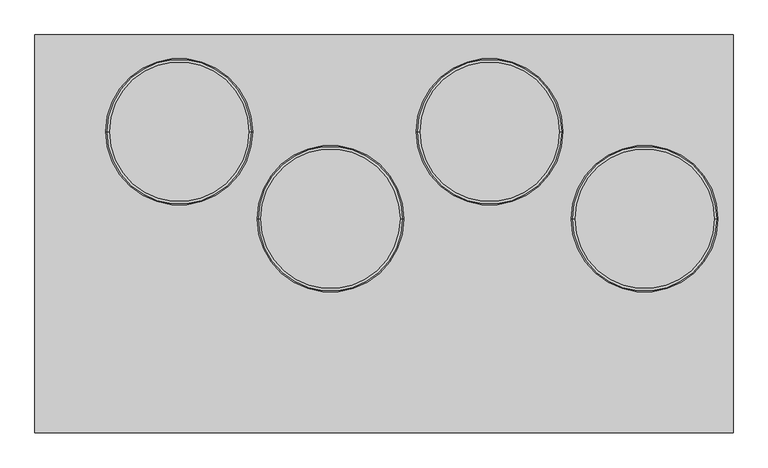
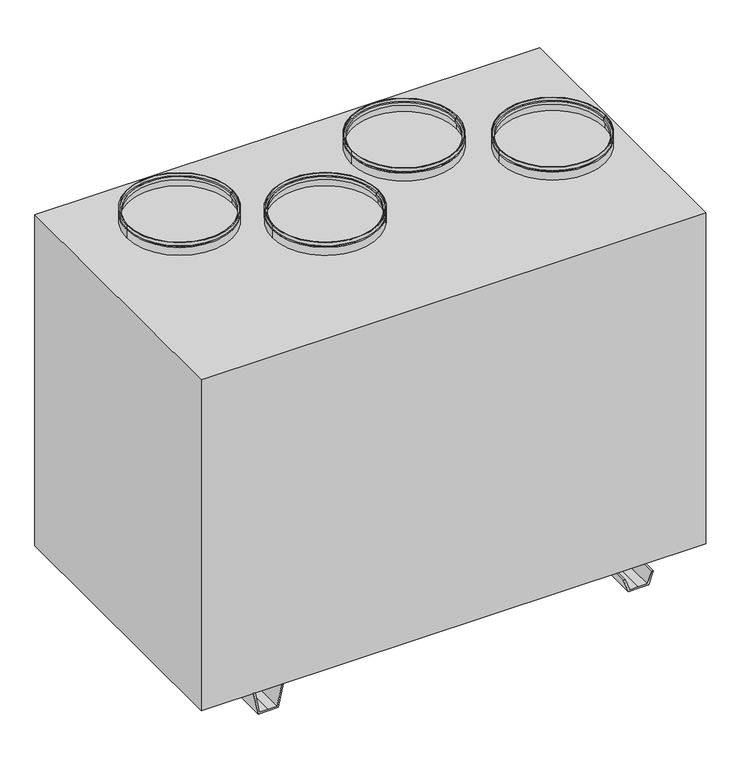
"""IFC4 building model written with IfcOpenShell, lengths in millimetres: proxy geometry."""

from ifc_helpers import new_model, si_unit, frame, origin, place, context, project, spatial, polyline, circle_curve, outline, extrude, source, transform, mapped, element, save
from ifc_brep_helpers import plane_surface, cylinder_surface, revolved_surface, advanced_brep


def mechanical_equipment_9c907c84(model_context):
    return source(origin(), model_context, "Body", "SolidModel", [
        advanced_brep(
        [(717.5, 32.5, 1140.0), (402.5, 32.5, 1140.0), (402.5, 32.5, 1150.0), (717.5, 32.5, 1150.0), (712.5, 32.5, 1140.0), (407.5, 32.5, 1140.0), (712.5, 32.5, 1135.0), (407.5, 32.5, 1135.0), (717.5, 32.5, 1135.0), (402.5, 32.5, 1135.0), (717.5, 32.5, 1110.0), (402.5, 32.5, 1110.0), (715.5, 32.5, 1110.0), (404.5, 32.5, 1110.0), (715.5, 32.5, 1133.0), (404.5, 32.5, 1133.0), (710.5, 32.5, 1133.0), (409.5, 32.5, 1133.0), (710.5, 32.5, 1142.0), (409.5, 32.5, 1142.0), (715.5, 32.5, 1142.0), (404.5, 32.5, 1142.0), (715.5, 32.5, 1150.0), (404.5, 32.5, 1150.0)],
        [
            (0, 1, circle_curve(frame((560.0, 32.5, 1140.0), z_axis=(0.0, 0.0, 1.0), x_axis=(-1.0, 0.0, 0.0)), 157.5)),
            (1, 2),
            (2, 3, circle_curve(frame((560.0, 32.5, 1150.0), z_axis=(0.0, 0.0, -1.0), x_axis=(-1.0, 0.0, 0.0)), 157.5)),
            (3, 0),
            (1, 0, circle_curve(frame((560.0, 32.5, 1140.0), z_axis=(0.0, 0.0, 1.0), x_axis=(-1.0, 0.0, 0.0)), 157.5)),
            (3, 2, circle_curve(frame((560.0, 32.5, 1150.0), z_axis=(0.0, 0.0, -1.0), x_axis=(-1.0, 0.0, 0.0)), 157.5)),
            (4, 5, circle_curve(frame((560.0, 32.5, 1140.0), z_axis=(0.0, 0.0, 1.0), x_axis=(-1.0, 0.0, 0.0)), 152.5)),
            (5, 1),
            (0, 4),
            (5, 4, circle_curve(frame((560.0, 32.5, 1140.0), z_axis=(0.0, 0.0, 1.0), x_axis=(-1.0, 0.0, 0.0)), 152.5)),
            (6, 7, circle_curve(frame((560.0, 32.5, 1135.0), z_axis=(0.0, 0.0, 1.0), x_axis=(-1.0, 0.0, 0.0)), 152.5)),
            (7, 5),
            (4, 6),
            (7, 6, circle_curve(frame((560.0, 32.5, 1135.0), z_axis=(0.0, 0.0, 1.0), x_axis=(-1.0, 0.0, 0.0)), 152.5)),
            (8, 9, circle_curve(frame((560.0, 32.5, 1135.0), z_axis=(0.0, 0.0, 1.0), x_axis=(-1.0, 0.0, 0.0)), 157.5)),
            (9, 7),
            (6, 8),
            (9, 8, circle_curve(frame((560.0, 32.5, 1135.0), z_axis=(0.0, 0.0, 1.0), x_axis=(-1.0, 0.0, 0.0)), 157.5)),
            (10, 11, circle_curve(frame((560.0, 32.5, 1110.0), z_axis=(0.0, 0.0, 1.0), x_axis=(-1.0, 0.0, 0.0)), 157.5)),
            (11, 9),
            (8, 10),
            (11, 10, circle_curve(frame((560.0, 32.5, 1110.0), z_axis=(0.0, 0.0, 1.0), x_axis=(-1.0, 0.0, 0.0)), 157.5)),
            (12, 13, circle_curve(frame((560.0, 32.5, 1110.0), z_axis=(0.0, 0.0, 1.0), x_axis=(-1.0, 0.0, 0.0)), 155.5)),
            (13, 11),
            (10, 12),
            (13, 12, circle_curve(frame((560.0, 32.5, 1110.0), z_axis=(0.0, 0.0, 1.0), x_axis=(-1.0, 0.0, 0.0)), 155.5)),
            (14, 15, circle_curve(frame((560.0, 32.5, 1133.0), z_axis=(0.0, 0.0, 1.0), x_axis=(-1.0, 0.0, 0.0)), 155.5)),
            (15, 13),
            (12, 14),
            (15, 14, circle_curve(frame((560.0, 32.5, 1133.0), z_axis=(0.0, 0.0, 1.0), x_axis=(-1.0, 0.0, 0.0)), 155.5)),
            (16, 17, circle_curve(frame((560.0, 32.5, 1133.0), z_axis=(0.0, 0.0, 1.0), x_axis=(-1.0, 0.0, 0.0)), 150.5)),
            (17, 15),
            (14, 16),
            (17, 16, circle_curve(frame((560.0, 32.5, 1133.0), z_axis=(0.0, 0.0, 1.0), x_axis=(-1.0, 0.0, 0.0)), 150.5)),
            (18, 19, circle_curve(frame((560.0, 32.5, 1142.0), z_axis=(0.0, 0.0, 1.0), x_axis=(-1.0, 0.0, 0.0)), 150.5)),
            (19, 17),
            (16, 18),
            (19, 18, circle_curve(frame((560.0, 32.5, 1142.0), z_axis=(0.0, 0.0, 1.0), x_axis=(-1.0, 0.0, 0.0)), 150.5)),
            (20, 21, circle_curve(frame((560.0, 32.5, 1142.0), z_axis=(0.0, 0.0, 1.0), x_axis=(-1.0, 0.0, 0.0)), 155.5)),
            (21, 19),
            (18, 20),
            (21, 20, circle_curve(frame((560.0, 32.5, 1142.0), z_axis=(0.0, 0.0, 1.0), x_axis=(-1.0, 0.0, 0.0)), 155.5)),
            (22, 23, circle_curve(frame((560.0, 32.5, 1150.0), z_axis=(0.0, 0.0, 1.0), x_axis=(-1.0, 0.0, 0.0)), 155.5)),
            (23, 21),
            (20, 22),
            (23, 22, circle_curve(frame((560.0, 32.5, 1150.0), z_axis=(0.0, 0.0, 1.0), x_axis=(-1.0, 0.0, 0.0)), 155.5)),
            (2, 23),
            (22, 3),
        ],
        [
            cylinder_surface(frame((560.0, 32.5, 2685.0440172), z_axis=(0.0, 0.0, -1.0), x_axis=(-1.0, 0.0, 0.0)), 157.5),
            plane_surface(frame((560.0, 32.5, 1140.0), z_axis=(0.0, 0.0, -1.0), x_axis=(-1.0, 0.0, 0.0))),
            cylinder_surface(frame((560.0, 32.5, 2685.0440172), z_axis=(0.0, 0.0, -1.0), x_axis=(-1.0, 0.0, 0.0)), 152.5),
            plane_surface(frame((560.0, 32.5, 1135.0), z_axis=(0.0, 0.0, 1.0), x_axis=(-1.0, 0.0, 0.0))),
            plane_surface(frame((560.0, 32.5, 1110.0), z_axis=(0.0, 0.0, -1.0), x_axis=(-1.0, 0.0, 0.0))),
            revolved_surface(polyline([(404.5, 32.5, 1110.0), (404.5, 32.5, 1133.0)]), (560.0, 32.5, 2685.0440172), (0.0, 0.0, -1.0)),
            plane_surface(frame((560.0, 32.5, 1133.0), z_axis=(0.0, 0.0, -1.0), x_axis=(-1.0, 0.0, 0.0))),
            revolved_surface(polyline([(409.5, 32.5, 1133.0), (409.5, 32.5, 1142.0)]), (560.0, 32.5, 2685.0440172), (0.0, 0.0, -1.0)),
            plane_surface(frame((560.0, 32.5, 1142.0), z_axis=(0.0, 0.0, 1.0), x_axis=(-1.0, 0.0, 0.0))),
            revolved_surface(polyline([(404.5, 32.5, 1142.0), (404.5, 32.5, 1150.0)]), (560.0, 32.5, 2685.0440172), (0.0, 0.0, -1.0)),
            plane_surface(frame((560.0, 32.5, 1150.0), z_axis=(0.0, 0.0, 1.0), x_axis=(-1.0, 0.0, 0.0))),
        ],
        [
            (0, [[1, 2, 3, 4]]),
            (0, [[5, -4, 6, -2]]),
            (1, [[7, 8, -1, 9]]),
            (1, [[10, -9, -5, -8]]),
            (2, [[11, 12, -7, 13]]),
            (2, [[14, -13, -10, -12]]),
            (3, [[15, 16, -11, 17]]),
            (3, [[18, -17, -14, -16]]),
            (0, [[19, 20, -15, 21]]),
            (0, [[22, -21, -18, -20]]),
            (4, [[23, 24, -19, 25]]),
            (4, [[26, -25, -22, -24]]),
            (5, [[27, 28, -23, 29]]),
            (5, [[30, -29, -26, -28]]),
            (6, [[31, 32, -27, 33]]),
            (6, [[34, -33, -30, -32]]),
            (7, [[35, 36, -31, 37]]),
            (7, [[38, -37, -34, -36]]),
            (8, [[39, 40, -35, 41]]),
            (8, [[42, -41, -38, -40]]),
            (9, [[43, 44, -39, 45]]),
            (9, [[46, -45, -42, -44]]),
            (10, [[-3, 47, -43, 48]]),
            (10, [[-6, -48, -46, -47]]),
        ],
    ),
        advanced_brep(
        [(384.5, 219.5, 1140.0), (69.5, 219.5, 1140.0), (69.5, 219.5, 1150.0), (384.5, 219.5, 1150.0), (379.5, 219.5, 1140.0), (74.5, 219.5, 1140.0), (379.5, 219.5, 1135.0), (74.5, 219.5, 1135.0), (384.5, 219.5, 1135.0), (69.5, 219.5, 1135.0), (384.5, 219.5, 1110.0), (69.5, 219.5, 1110.0), (382.5, 219.5, 1110.0), (71.5, 219.5, 1110.0), (382.5, 219.5, 1133.0), (71.5, 219.5, 1133.0), (377.5, 219.5, 1133.0), (76.5, 219.5, 1133.0), (377.5, 219.5, 1142.0), (76.5, 219.5, 1142.0), (382.5, 219.5, 1142.0), (71.5, 219.5, 1142.0), (382.5, 219.5, 1150.0), (71.5, 219.5, 1150.0)],
        [
            (0, 1, circle_curve(frame((227.0, 219.5, 1140.0), z_axis=(0.0, 0.0, 1.0), x_axis=(-1.0, 0.0, 0.0)), 157.5)),
            (1, 2),
            (2, 3, circle_curve(frame((227.0, 219.5, 1150.0), z_axis=(0.0, 0.0, -1.0), x_axis=(-1.0, 0.0, 0.0)), 157.5)),
            (3, 0),
            (1, 0, circle_curve(frame((227.0, 219.5, 1140.0), z_axis=(0.0, 0.0, 1.0), x_axis=(-1.0, 0.0, 0.0)), 157.5)),
            (3, 2, circle_curve(frame((227.0, 219.5, 1150.0), z_axis=(0.0, 0.0, -1.0), x_axis=(-1.0, 0.0, 0.0)), 157.5)),
            (4, 5, circle_curve(frame((227.0, 219.5, 1140.0), z_axis=(0.0, 0.0, 1.0), x_axis=(-1.0, 0.0, 0.0)), 152.5)),
            (5, 1),
            (0, 4),
            (5, 4, circle_curve(frame((227.0, 219.5, 1140.0), z_axis=(0.0, 0.0, 1.0), x_axis=(-1.0, 0.0, 0.0)), 152.5)),
            (6, 7, circle_curve(frame((227.0, 219.5, 1135.0), z_axis=(0.0, 0.0, 1.0), x_axis=(-1.0, 0.0, 0.0)), 152.5)),
            (7, 5),
            (4, 6),
            (7, 6, circle_curve(frame((227.0, 219.5, 1135.0), z_axis=(0.0, 0.0, 1.0), x_axis=(-1.0, 0.0, 0.0)), 152.5)),
            (8, 9, circle_curve(frame((227.0, 219.5, 1135.0), z_axis=(0.0, 0.0, 1.0), x_axis=(-1.0, 0.0, 0.0)), 157.5)),
            (9, 7),
            (6, 8),
            (9, 8, circle_curve(frame((227.0, 219.5, 1135.0), z_axis=(0.0, 0.0, 1.0), x_axis=(-1.0, 0.0, 0.0)), 157.5)),
            (10, 11, circle_curve(frame((227.0, 219.5, 1110.0), z_axis=(0.0, 0.0, 1.0), x_axis=(-1.0, 0.0, 0.0)), 157.5)),
            (11, 9),
            (8, 10),
            (11, 10, circle_curve(frame((227.0, 219.5, 1110.0), z_axis=(0.0, 0.0, 1.0), x_axis=(-1.0, 0.0, 0.0)), 157.5)),
            (12, 13, circle_curve(frame((227.0, 219.5, 1110.0), z_axis=(0.0, 0.0, 1.0), x_axis=(-1.0, 0.0, 0.0)), 155.5)),
            (13, 11),
            (10, 12),
            (13, 12, circle_curve(frame((227.0, 219.5, 1110.0), z_axis=(0.0, 0.0, 1.0), x_axis=(-1.0, 0.0, 0.0)), 155.5)),
            (14, 15, circle_curve(frame((227.0, 219.5, 1133.0), z_axis=(0.0, 0.0, 1.0), x_axis=(-1.0, 0.0, 0.0)), 155.5)),
            (15, 13),
            (12, 14),
            (15, 14, circle_curve(frame((227.0, 219.5, 1133.0), z_axis=(0.0, 0.0, 1.0), x_axis=(-1.0, 0.0, 0.0)), 155.5)),
            (16, 17, circle_curve(frame((227.0, 219.5, 1133.0), z_axis=(0.0, 0.0, 1.0), x_axis=(-1.0, 0.0, 0.0)), 150.5)),
            (17, 15),
            (14, 16),
            (17, 16, circle_curve(frame((227.0, 219.5, 1133.0), z_axis=(0.0, 0.0, 1.0), x_axis=(-1.0, 0.0, 0.0)), 150.5)),
            (18, 19, circle_curve(frame((227.0, 219.5, 1142.0), z_axis=(0.0, 0.0, 1.0), x_axis=(-1.0, 0.0, 0.0)), 150.5)),
            (19, 17),
            (16, 18),
            (19, 18, circle_curve(frame((227.0, 219.5, 1142.0), z_axis=(0.0, 0.0, 1.0), x_axis=(-1.0, 0.0, 0.0)), 150.5)),
            (20, 21, circle_curve(frame((227.0, 219.5, 1142.0), z_axis=(0.0, 0.0, 1.0), x_axis=(-1.0, 0.0, 0.0)), 155.5)),
            (21, 19),
            (18, 20),
            (21, 20, circle_curve(frame((227.0, 219.5, 1142.0), z_axis=(0.0, 0.0, 1.0), x_axis=(-1.0, 0.0, 0.0)), 155.5)),
            (22, 23, circle_curve(frame((227.0, 219.5, 1150.0), z_axis=(0.0, 0.0, 1.0), x_axis=(-1.0, 0.0, 0.0)), 155.5)),
            (23, 21),
            (20, 22),
            (23, 22, circle_curve(frame((227.0, 219.5, 1150.0), z_axis=(0.0, 0.0, 1.0), x_axis=(-1.0, 0.0, 0.0)), 155.5)),
            (2, 23),
            (22, 3),
        ],
        [
            cylinder_surface(frame((227.0, 219.5, 2685.0440172), z_axis=(0.0, 0.0, -1.0), x_axis=(-1.0, 0.0, 0.0)), 157.5),
            plane_surface(frame((227.0, 219.5, 1140.0), z_axis=(0.0, 0.0, -1.0), x_axis=(-1.0, 0.0, 0.0))),
            cylinder_surface(frame((227.0, 219.5, 2685.0440172), z_axis=(0.0, 0.0, -1.0), x_axis=(-1.0, 0.0, 0.0)), 152.5),
            plane_surface(frame((227.0, 219.5, 1135.0), z_axis=(0.0, 0.0, 1.0), x_axis=(-1.0, 0.0, 0.0))),
            plane_surface(frame((227.0, 219.5, 1110.0), z_axis=(0.0, 0.0, -1.0), x_axis=(-1.0, 0.0, 0.0))),
            revolved_surface(polyline([(71.5, 219.5, 1110.0), (71.5, 219.5, 1133.0)]), (227.0, 219.5, 2685.0440172), (0.0, 0.0, -1.0)),
            plane_surface(frame((227.0, 219.5, 1133.0), z_axis=(0.0, 0.0, -1.0), x_axis=(-1.0, 0.0, 0.0))),
            revolved_surface(polyline([(76.5, 219.5, 1133.0), (76.5, 219.5, 1142.0)]), (227.0, 219.5, 2685.0440172), (0.0, 0.0, -1.0)),
            plane_surface(frame((227.0, 219.5, 1142.0), z_axis=(0.0, 0.0, 1.0), x_axis=(-1.0, 0.0, 0.0))),
            revolved_surface(polyline([(71.5, 219.5, 1142.0), (71.5, 219.5, 1150.0)]), (227.0, 219.5, 2685.0440172), (0.0, 0.0, -1.0)),
            plane_surface(frame((227.0, 219.5, 1150.0), z_axis=(0.0, 0.0, 1.0), x_axis=(-1.0, 0.0, 0.0))),
        ],
        [
            (0, [[1, 2, 3, 4]]),
            (0, [[5, -4, 6, -2]]),
            (1, [[7, 8, -1, 9]]),
            (1, [[10, -9, -5, -8]]),
            (2, [[11, 12, -7, 13]]),
            (2, [[14, -13, -10, -12]]),
            (3, [[15, 16, -11, 17]]),
            (3, [[18, -17, -14, -16]]),
            (0, [[19, 20, -15, 21]]),
            (0, [[22, -21, -18, -20]]),
            (4, [[23, 24, -19, 25]]),
            (4, [[26, -25, -22, -24]]),
            (5, [[27, 28, -23, 29]]),
            (5, [[30, -29, -26, -28]]),
            (6, [[31, 32, -27, 33]]),
            (6, [[34, -33, -30, -32]]),
            (7, [[35, 36, -31, 37]]),
            (7, [[38, -37, -34, -36]]),
            (8, [[39, 40, -35, 41]]),
            (8, [[42, -41, -38, -40]]),
            (9, [[43, 44, -39, 45]]),
            (9, [[46, -45, -42, -44]]),
            (10, [[-3, 47, -43, 48]]),
            (10, [[-6, -48, -46, -47]]),
        ],
    ),
        advanced_brep(
        [(42.5, 32.5, 1140.0), (-272.5, 32.5, 1140.0), (-272.5, 32.5, 1150.0), (42.5, 32.5, 1150.0), (37.5, 32.5, 1140.0), (-267.5, 32.5, 1140.0), (37.5, 32.5, 1135.0), (-267.5, 32.5, 1135.0), (42.5, 32.5, 1135.0), (-272.5, 32.5, 1135.0), (42.5, 32.5, 1110.0), (-272.5, 32.5, 1110.0), (40.5, 32.5, 1110.0), (-270.5, 32.5, 1110.0), (40.5, 32.5, 1133.0), (-270.5, 32.5, 1133.0), (35.5, 32.5, 1133.0), (-265.5, 32.5, 1133.0), (35.5, 32.5, 1142.0), (-265.5, 32.5, 1142.0), (40.5, 32.5, 1142.0), (-270.5, 32.5, 1142.0), (40.5, 32.5, 1150.0), (-270.5, 32.5, 1150.0)],
        [
            (0, 1, circle_curve(frame((-115.0, 32.5, 1140.0), z_axis=(0.0, 0.0, 1.0), x_axis=(-1.0, 0.0, 0.0)), 157.5)),
            (1, 2),
            (2, 3, circle_curve(frame((-115.0, 32.5, 1150.0), z_axis=(0.0, 0.0, -1.0), x_axis=(-1.0, 0.0, 0.0)), 157.5)),
            (3, 0),
            (1, 0, circle_curve(frame((-115.0, 32.5, 1140.0), z_axis=(0.0, 0.0, 1.0), x_axis=(-1.0, 0.0, 0.0)), 157.5)),
            (3, 2, circle_curve(frame((-115.0, 32.5, 1150.0), z_axis=(0.0, 0.0, -1.0), x_axis=(-1.0, 0.0, 0.0)), 157.5)),
            (4, 5, circle_curve(frame((-115.0, 32.5, 1140.0), z_axis=(0.0, 0.0, 1.0), x_axis=(-1.0, 0.0, 0.0)), 152.5)),
            (5, 1),
            (0, 4),
            (5, 4, circle_curve(frame((-115.0, 32.5, 1140.0), z_axis=(0.0, 0.0, 1.0), x_axis=(-1.0, 0.0, 0.0)), 152.5)),
            (6, 7, circle_curve(frame((-115.0, 32.5, 1135.0), z_axis=(0.0, 0.0, 1.0), x_axis=(-1.0, 0.0, 0.0)), 152.5)),
            (7, 5),
            (4, 6),
            (7, 6, circle_curve(frame((-115.0, 32.5, 1135.0), z_axis=(0.0, 0.0, 1.0), x_axis=(-1.0, 0.0, 0.0)), 152.5)),
            (8, 9, circle_curve(frame((-115.0, 32.5, 1135.0), z_axis=(0.0, 0.0, 1.0), x_axis=(-1.0, 0.0, 0.0)), 157.5)),
            (9, 7),
            (6, 8),
            (9, 8, circle_curve(frame((-115.0, 32.5, 1135.0), z_axis=(0.0, 0.0, 1.0), x_axis=(-1.0, 0.0, 0.0)), 157.5)),
            (10, 11, circle_curve(frame((-115.0, 32.5, 1110.0), z_axis=(0.0, 0.0, 1.0), x_axis=(-1.0, 0.0, 0.0)), 157.5)),
            (11, 9),
            (8, 10),
            (11, 10, circle_curve(frame((-115.0, 32.5, 1110.0), z_axis=(0.0, 0.0, 1.0), x_axis=(-1.0, 0.0, 0.0)), 157.5)),
            (12, 13, circle_curve(frame((-115.0, 32.5, 1110.0), z_axis=(0.0, 0.0, 1.0), x_axis=(-1.0, 0.0, 0.0)), 155.5)),
            (13, 11),
            (10, 12),
            (13, 12, circle_curve(frame((-115.0, 32.5, 1110.0), z_axis=(0.0, 0.0, 1.0), x_axis=(-1.0, 0.0, 0.0)), 155.5)),
            (14, 15, circle_curve(frame((-115.0, 32.5, 1133.0), z_axis=(0.0, 0.0, 1.0), x_axis=(-1.0, 0.0, 0.0)), 155.5)),
            (15, 13),
            (12, 14),
            (15, 14, circle_curve(frame((-115.0, 32.5, 1133.0), z_axis=(0.0, 0.0, 1.0), x_axis=(-1.0, 0.0, 0.0)), 155.5)),
            (16, 17, circle_curve(frame((-115.0, 32.5, 1133.0), z_axis=(0.0, 0.0, 1.0), x_axis=(-1.0, 0.0, 0.0)), 150.5)),
            (17, 15),
            (14, 16),
            (17, 16, circle_curve(frame((-115.0, 32.5, 1133.0), z_axis=(0.0, 0.0, 1.0), x_axis=(-1.0, 0.0, 0.0)), 150.5)),
            (18, 19, circle_curve(frame((-115.0, 32.5, 1142.0), z_axis=(0.0, 0.0, 1.0), x_axis=(-1.0, 0.0, 0.0)), 150.5)),
            (19, 17),
            (16, 18),
            (19, 18, circle_curve(frame((-115.0, 32.5, 1142.0), z_axis=(0.0, 0.0, 1.0), x_axis=(-1.0, 0.0, 0.0)), 150.5)),
            (20, 21, circle_curve(frame((-115.0, 32.5, 1142.0), z_axis=(0.0, 0.0, 1.0), x_axis=(-1.0, 0.0, 0.0)), 155.5)),
            (21, 19),
            (18, 20),
            (21, 20, circle_curve(frame((-115.0, 32.5, 1142.0), z_axis=(0.0, 0.0, 1.0), x_axis=(-1.0, 0.0, 0.0)), 155.5)),
            (22, 23, circle_curve(frame((-115.0, 32.5, 1150.0), z_axis=(0.0, 0.0, 1.0), x_axis=(-1.0, 0.0, 0.0)), 155.5)),
            (23, 21),
            (20, 22),
            (23, 22, circle_curve(frame((-115.0, 32.5, 1150.0), z_axis=(0.0, 0.0, 1.0), x_axis=(-1.0, 0.0, 0.0)), 155.5)),
            (2, 23),
            (22, 3),
        ],
        [
            cylinder_surface(frame((-115.0, 32.5, 2685.0440172), z_axis=(0.0, 0.0, -1.0), x_axis=(-1.0, 0.0, 0.0)), 157.5),
            plane_surface(frame((-115.0, 32.5, 1140.0), z_axis=(0.0, 0.0, -1.0), x_axis=(-1.0, 0.0, 0.0))),
            cylinder_surface(frame((-115.0, 32.5, 2685.0440172), z_axis=(0.0, 0.0, -1.0), x_axis=(-1.0, 0.0, 0.0)), 152.5),
            plane_surface(frame((-115.0, 32.5, 1135.0), z_axis=(0.0, 0.0, 1.0), x_axis=(-1.0, 0.0, 0.0))),
            plane_surface(frame((-115.0, 32.5, 1110.0), z_axis=(0.0, 0.0, -1.0), x_axis=(-1.0, 0.0, 0.0))),
            revolved_surface(polyline([(-270.5, 32.5, 1110.0), (-270.5, 32.5, 1133.0)]), (-115.0, 32.5, 2685.0440172), (0.0, 0.0, -1.0)),
            plane_surface(frame((-115.0, 32.5, 1133.0), z_axis=(0.0, 0.0, -1.0), x_axis=(-1.0, 0.0, 0.0))),
            revolved_surface(polyline([(-265.5, 32.5, 1133.0), (-265.5, 32.5, 1142.0)]), (-115.0, 32.5, 2685.0440172), (0.0, 0.0, -1.0)),
            plane_surface(frame((-115.0, 32.5, 1142.0), z_axis=(0.0, 0.0, 1.0), x_axis=(-1.0, 0.0, 0.0))),
            revolved_surface(polyline([(-270.5, 32.5, 1142.0), (-270.5, 32.5, 1150.0)]), (-115.0, 32.5, 2685.0440172), (0.0, 0.0, -1.0)),
            plane_surface(frame((-115.0, 32.5, 1150.0), z_axis=(0.0, 0.0, 1.0), x_axis=(-1.0, 0.0, 0.0))),
        ],
        [
            (0, [[1, 2, 3, 4]]),
            (0, [[5, -4, 6, -2]]),
            (1, [[7, 8, -1, 9]]),
            (1, [[10, -9, -5, -8]]),
            (2, [[11, 12, -7, 13]]),
            (2, [[14, -13, -10, -12]]),
            (3, [[15, 16, -11, 17]]),
            (3, [[18, -17, -14, -16]]),
            (0, [[19, 20, -15, 21]]),
            (0, [[22, -21, -18, -20]]),
            (4, [[23, 24, -19, 25]]),
            (4, [[26, -25, -22, -24]]),
            (5, [[27, 28, -23, 29]]),
            (5, [[30, -29, -26, -28]]),
            (6, [[31, 32, -27, 33]]),
            (6, [[34, -33, -30, -32]]),
            (7, [[35, 36, -31, 37]]),
            (7, [[38, -37, -34, -36]]),
            (8, [[39, 40, -35, 41]]),
            (8, [[42, -41, -38, -40]]),
            (9, [[43, 44, -39, 45]]),
            (9, [[46, -45, -42, -44]]),
            (10, [[-3, 47, -43, 48]]),
            (10, [[-6, -48, -46, -47]]),
        ],
    ),
        advanced_brep(
        [(-282.5, 219.5, 1140.0), (-597.5, 219.5, 1140.0), (-597.5, 219.5, 1150.0), (-282.5, 219.5, 1150.0), (-287.5, 219.5, 1140.0), (-592.5, 219.5, 1140.0), (-287.5, 219.5, 1135.0), (-592.5, 219.5, 1135.0), (-282.5, 219.5, 1135.0), (-597.5, 219.5, 1135.0), (-282.5, 219.5, 1110.0), (-597.5, 219.5, 1110.0), (-284.5, 219.5, 1110.0), (-595.5, 219.5, 1110.0), (-284.5, 219.5, 1133.0), (-595.5, 219.5, 1133.0), (-289.5, 219.5, 1133.0), (-590.5, 219.5, 1133.0), (-289.5, 219.5, 1142.0), (-590.5, 219.5, 1142.0), (-284.5, 219.5, 1142.0), (-595.5, 219.5, 1142.0), (-284.5, 219.5, 1150.0), (-595.5, 219.5, 1150.0)],
        [
            (0, 1, circle_curve(frame((-440.0, 219.5, 1140.0), z_axis=(0.0, 0.0, 1.0), x_axis=(-1.0, 0.0, 0.0)), 157.5)),
            (1, 2),
            (2, 3, circle_curve(frame((-440.0, 219.5, 1150.0), z_axis=(0.0, 0.0, -1.0), x_axis=(-1.0, 0.0, 0.0)), 157.5)),
            (3, 0),
            (1, 0, circle_curve(frame((-440.0, 219.5, 1140.0), z_axis=(0.0, 0.0, 1.0), x_axis=(-1.0, 0.0, 0.0)), 157.5)),
            (3, 2, circle_curve(frame((-440.0, 219.5, 1150.0), z_axis=(0.0, 0.0, -1.0), x_axis=(-1.0, 0.0, 0.0)), 157.5)),
            (4, 5, circle_curve(frame((-440.0, 219.5, 1140.0), z_axis=(0.0, 0.0, 1.0), x_axis=(-1.0, 0.0, 0.0)), 152.5)),
            (5, 1),
            (0, 4),
            (5, 4, circle_curve(frame((-440.0, 219.5, 1140.0), z_axis=(0.0, 0.0, 1.0), x_axis=(-1.0, 0.0, 0.0)), 152.5)),
            (6, 7, circle_curve(frame((-440.0, 219.5, 1135.0), z_axis=(0.0, 0.0, 1.0), x_axis=(-1.0, 0.0, 0.0)), 152.5)),
            (7, 5),
            (4, 6),
            (7, 6, circle_curve(frame((-440.0, 219.5, 1135.0), z_axis=(0.0, 0.0, 1.0), x_axis=(-1.0, 0.0, 0.0)), 152.5)),
            (8, 9, circle_curve(frame((-440.0, 219.5, 1135.0), z_axis=(0.0, 0.0, 1.0), x_axis=(-1.0, 0.0, 0.0)), 157.5)),
            (9, 7),
            (6, 8),
            (9, 8, circle_curve(frame((-440.0, 219.5, 1135.0), z_axis=(0.0, 0.0, 1.0), x_axis=(-1.0, 0.0, 0.0)), 157.5)),
            (10, 11, circle_curve(frame((-440.0, 219.5, 1110.0), z_axis=(0.0, 0.0, 1.0), x_axis=(-1.0, 0.0, 0.0)), 157.5)),
            (11, 9),
            (8, 10),
            (11, 10, circle_curve(frame((-440.0, 219.5, 1110.0), z_axis=(0.0, 0.0, 1.0), x_axis=(-1.0, 0.0, 0.0)), 157.5)),
            (12, 13, circle_curve(frame((-440.0, 219.5, 1110.0), z_axis=(0.0, 0.0, 1.0), x_axis=(-1.0, 0.0, 0.0)), 155.5)),
            (13, 11),
            (10, 12),
            (13, 12, circle_curve(frame((-440.0, 219.5, 1110.0), z_axis=(0.0, 0.0, 1.0), x_axis=(-1.0, 0.0, 0.0)), 155.5)),
            (14, 15, circle_curve(frame((-440.0, 219.5, 1133.0), z_axis=(0.0, 0.0, 1.0), x_axis=(-1.0, 0.0, 0.0)), 155.5)),
            (15, 13),
            (12, 14),
            (15, 14, circle_curve(frame((-440.0, 219.5, 1133.0), z_axis=(0.0, 0.0, 1.0), x_axis=(-1.0, 0.0, 0.0)), 155.5)),
            (16, 17, circle_curve(frame((-440.0, 219.5, 1133.0), z_axis=(0.0, 0.0, 1.0), x_axis=(-1.0, 0.0, 0.0)), 150.5)),
            (17, 15),
            (14, 16),
            (17, 16, circle_curve(frame((-440.0, 219.5, 1133.0), z_axis=(0.0, 0.0, 1.0), x_axis=(-1.0, 0.0, 0.0)), 150.5)),
            (18, 19, circle_curve(frame((-440.0, 219.5, 1142.0), z_axis=(0.0, 0.0, 1.0), x_axis=(-1.0, 0.0, 0.0)), 150.5)),
            (19, 17),
            (16, 18),
            (19, 18, circle_curve(frame((-440.0, 219.5, 1142.0), z_axis=(0.0, 0.0, 1.0), x_axis=(-1.0, 0.0, 0.0)), 150.5)),
            (20, 21, circle_curve(frame((-440.0, 219.5, 1142.0), z_axis=(0.0, 0.0, 1.0), x_axis=(-1.0, 0.0, 0.0)), 155.5)),
            (21, 19),
            (18, 20),
            (21, 20, circle_curve(frame((-440.0, 219.5, 1142.0), z_axis=(0.0, 0.0, 1.0), x_axis=(-1.0, 0.0, 0.0)), 155.5)),
            (22, 23, circle_curve(frame((-440.0, 219.5, 1150.0), z_axis=(0.0, 0.0, 1.0), x_axis=(-1.0, 0.0, 0.0)), 155.5)),
            (23, 21),
            (20, 22),
            (23, 22, circle_curve(frame((-440.0, 219.5, 1150.0), z_axis=(0.0, 0.0, 1.0), x_axis=(-1.0, 0.0, 0.0)), 155.5)),
            (2, 23),
            (22, 3),
        ],
        [
            cylinder_surface(frame((-440.0, 219.5, 2685.0440172), z_axis=(0.0, 0.0, -1.0), x_axis=(-1.0, 0.0, 0.0)), 157.5),
            plane_surface(frame((-440.0, 219.5, 1140.0), z_axis=(0.0, 0.0, -1.0), x_axis=(-1.0, 0.0, 0.0))),
            cylinder_surface(frame((-440.0, 219.5, 2685.0440172), z_axis=(0.0, 0.0, -1.0), x_axis=(-1.0, 0.0, 0.0)), 152.5),
            plane_surface(frame((-440.0, 219.5, 1135.0), z_axis=(0.0, 0.0, 1.0), x_axis=(-1.0, 0.0, 0.0))),
            plane_surface(frame((-440.0, 219.5, 1110.0), z_axis=(0.0, 0.0, -1.0), x_axis=(-1.0, 0.0, 0.0))),
            revolved_surface(polyline([(-595.5, 219.5, 1110.0), (-595.5, 219.5, 1133.0)]), (-440.0, 219.5, 2685.0440172), (0.0, 0.0, -1.0)),
            plane_surface(frame((-440.0, 219.5, 1133.0), z_axis=(0.0, 0.0, -1.0), x_axis=(-1.0, 0.0, 0.0))),
            revolved_surface(polyline([(-590.5, 219.5, 1133.0), (-590.5, 219.5, 1142.0)]), (-440.0, 219.5, 2685.0440172), (0.0, 0.0, -1.0)),
            plane_surface(frame((-440.0, 219.5, 1142.0), z_axis=(0.0, 0.0, 1.0), x_axis=(-1.0, 0.0, 0.0))),
            revolved_surface(polyline([(-595.5, 219.5, 1142.0), (-595.5, 219.5, 1150.0)]), (-440.0, 219.5, 2685.0440172), (0.0, 0.0, -1.0)),
            plane_surface(frame((-440.0, 219.5, 1150.0), z_axis=(0.0, 0.0, 1.0), x_axis=(-1.0, 0.0, 0.0))),
        ],
        [
            (0, [[1, 2, 3, 4]]),
            (0, [[5, -4, 6, -2]]),
            (1, [[7, 8, -1, 9]]),
            (1, [[10, -9, -5, -8]]),
            (2, [[11, 12, -7, 13]]),
            (2, [[14, -13, -10, -12]]),
            (3, [[15, 16, -11, 17]]),
            (3, [[18, -17, -14, -16]]),
            (0, [[19, 20, -15, 21]]),
            (0, [[22, -21, -18, -20]]),
            (4, [[23, 24, -19, 25]]),
            (4, [[26, -25, -22, -24]]),
            (5, [[27, 28, -23, 29]]),
            (5, [[30, -29, -26, -28]]),
            (6, [[31, 32, -27, 33]]),
            (6, [[34, -33, -30, -32]]),
            (7, [[35, 36, -31, 37]]),
            (7, [[38, -37, -34, -36]]),
            (8, [[39, 40, -35, 41]]),
            (8, [[42, -41, -38, -40]]),
            (9, [[43, 44, -39, 45]]),
            (9, [[46, -45, -42, -44]]),
            (10, [[-3, 47, -43, 48]]),
            (10, [[-6, -48, -46, -47]]),
        ],
    ),
        extrude(outline(polyline([(0.0, 580.0), (40.0, 594.5588094), (40.0, 589.2379205), (5.0, 576.4989623), (5.0, 550.0), (5.0, 523.5010377), (40.0, 510.7620795), (40.0, 505.4411906), (0.0, 520.0), (0.0, 550.0), (0.0, 580.0)])), frame((0.0, -427.5, 0.0), z_axis=(0.0, 1.0, 0.0), x_axis=(0.0, 0.0, 1.0)), (0.0, 0.0, 1.0), 855.0),
        extrude(outline(polyline([(0.0, -520.0), (70.0, -505.4411906), (70.0, -510.7620795), (5.0, -523.5010377), (5.0, -550.0), (5.0, -576.4989623), (70.0, -589.2379205), (70.0, -594.5588094), (0.0, -580.0), (0.0, -550.0), (0.0, -520.0)])), frame((0.0, -427.5, 0.0), z_axis=(0.0, 1.0, 0.0), x_axis=(0.0, 0.0, 1.0)), (0.0, 0.0, 1.0), 855.0),
        extrude(outline(polyline([(-750.0, 427.5), (750.0, 427.5), (750.0, -427.5), (-750.0, -427.5), (-750.0, 427.5)])), frame((0.0, 0.0, 70.0), z_axis=(0.0, 0.0, 1.0), x_axis=(1.0, 0.0, 0.0)), (0.0, 0.0, 1.0), 1040.0),
    ])


if __name__ == "__main__":
    model = new_model("IFC4")
    model_context = context("Model", 3, world=origin())
    ifc_project = project(units=[si_unit("LENGTHUNIT", "METRE", prefix="MILLI")], contexts=[model_context])
    site = spatial("IfcSite", under=ifc_project)
    building = spatial("IfcBuilding", under=site)
    placement = place(None, origin())
    mechanical_equipment_shape = mechanical_equipment_9c907c84(model_context)
    element("IfcBuildingElementProxy", 1, Name="Mechanical Equipment", at=placement, inside=building, context=model_context, shape_type="MappedRepresentation", body=[
        mapped(mechanical_equipment_shape, transform((0.0, 0.0, 0.0), x_axis=(1.0, 0.0, 0.0), y_axis=(0.0, 1.0, 0.0), z_axis=(0.0, 0.0, 1.0))),
    ])
    save(model, "model.ifc")
